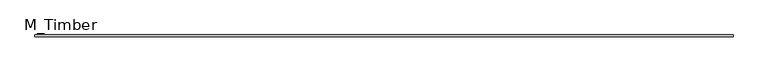
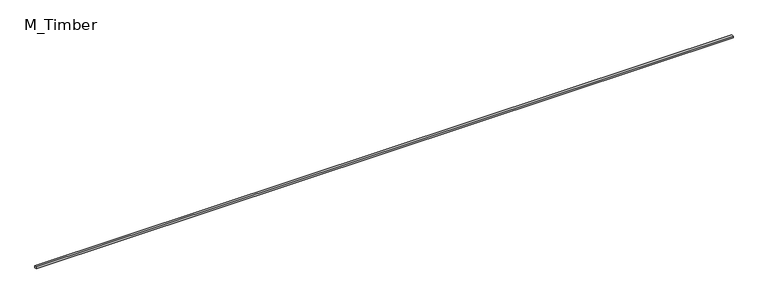
"""IFC4 building model written with IfcOpenShell, lengths in millimetres: beam geometry, M_Timber."""

from ifc_helpers import new_model, si_unit, frame, origin, place, context, project, spatial, polyline, outline, extrude, source, transform, mapped, element, save


def m_timber_fc8174e4(model_context):
    return source(origin(), model_context, "Body", "SweptSolid", [
        extrude(outline(polyline([(7165.6244421, 20.0), (7165.6244421, -20.0), (-7165.6244421, -20.0), (-7165.6244421, 20.0), (7165.6244421, 20.0)])), frame((0.0, 0.0, -20.0), z_axis=(0.0, 0.0, 1.0), x_axis=(1.0, 0.0, 0.0)), (0.0, 0.0, 1.0), 40.0),
    ])


if __name__ == "__main__":
    model = new_model("IFC4")
    model_context = context("Model", 3, world=origin())
    ifc_project = project(units=[si_unit("LENGTHUNIT", "METRE", prefix="MILLI")], contexts=[model_context])
    site = spatial("IfcSite", under=ifc_project)
    building = spatial("IfcBuilding", under=site)
    placement = place(None, origin())
    m_timber_shape = m_timber_fc8174e4(model_context)
    element("IfcBeam", 1, ObjectType="M_Timber", at=placement, inside=building, context=model_context, shape_type="MappedRepresentation", body=[
        mapped(m_timber_shape, transform((0.0, 0.0, 0.0), x_axis=(1.0, 0.0, 0.0), y_axis=(0.0, 1.0, 0.0), z_axis=(0.0, 0.0, 1.0))),
    ])
    save(model, "model.ifc")
